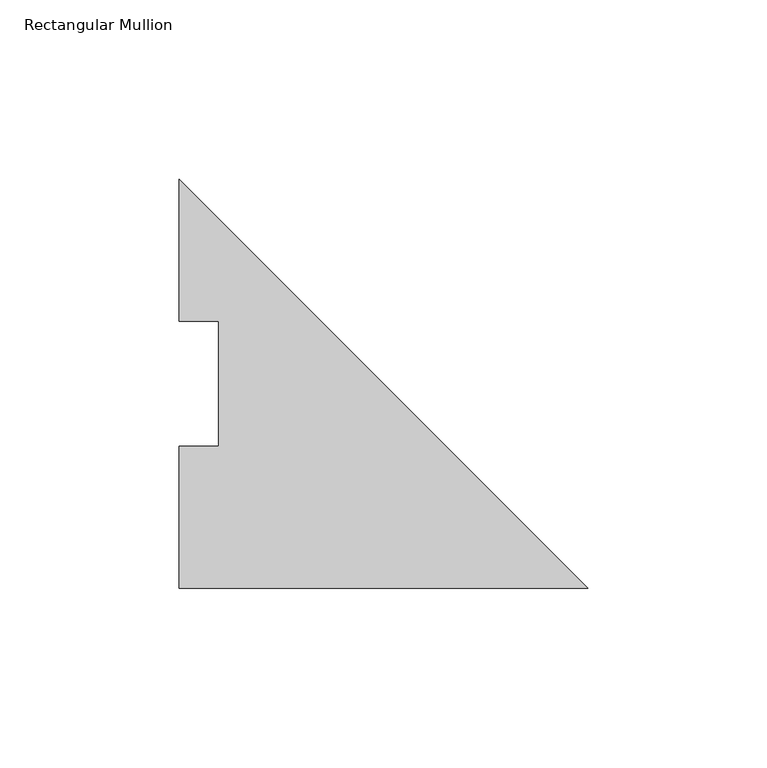
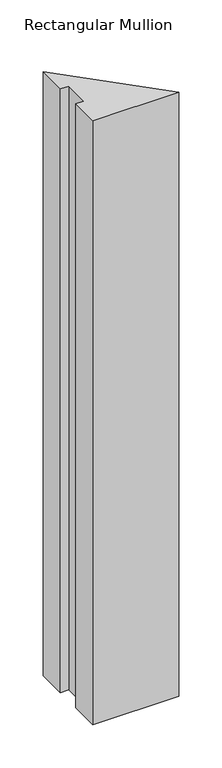
"""IFC4 building model written with IfcOpenShell, lengths in millimetres: member geometry, Rectangular Mullion."""

from ifc_helpers import new_model, si_unit, frame, origin, place, context, project, spatial, polyline, outline, extrude, source, transform, mapped, element, save


def rectangular_mullion_fb1185b6(model_context):
    return source(origin(), model_context, "Body", "SweptSolid", [
        extrude(outline(polyline([(-114.3, 74.596625), (-114.3, 114.271425), (0.0, -0.028575), (-114.3, -0.028575), (-114.3, 39.646225), (-103.1875, 39.646225), (-103.1875, 74.596625), (-114.3, 74.596625)])), frame((0.0, 0.0, -850.9), z_axis=(0.0, 0.0, 1.0), x_axis=(1.0, 0.0, 0.0)), (0.0, 0.0, 1.0), 850.9),
    ])


if __name__ == "__main__":
    model = new_model("IFC4")
    model_context = context("Model", 3, world=origin())
    ifc_project = project(units=[si_unit("LENGTHUNIT", "METRE", prefix="MILLI")], contexts=[model_context])
    site = spatial("IfcSite", under=ifc_project)
    building = spatial("IfcBuilding", under=site)
    placement = place(None, origin())
    rectangular_mullion_shape = rectangular_mullion_fb1185b6(model_context)
    element("IfcMember", 1, ObjectType="Rectangular Mullion", at=placement, inside=building, context=model_context, shape_type="MappedRepresentation", body=[
        mapped(rectangular_mullion_shape, transform((0.0, 0.0, 0.0), x_axis=(1.0, 0.0, 0.0), y_axis=(0.0, 1.0, 0.0), z_axis=(0.0, 0.0, 1.0))),
    ])
    save(model, "model.ifc")
